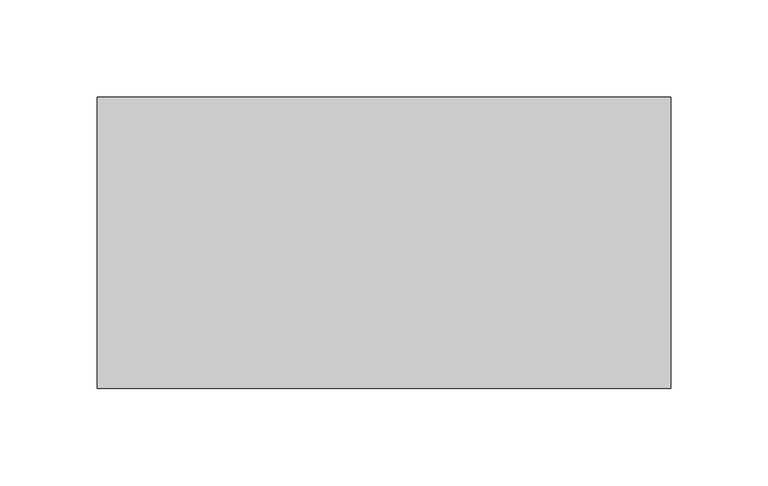
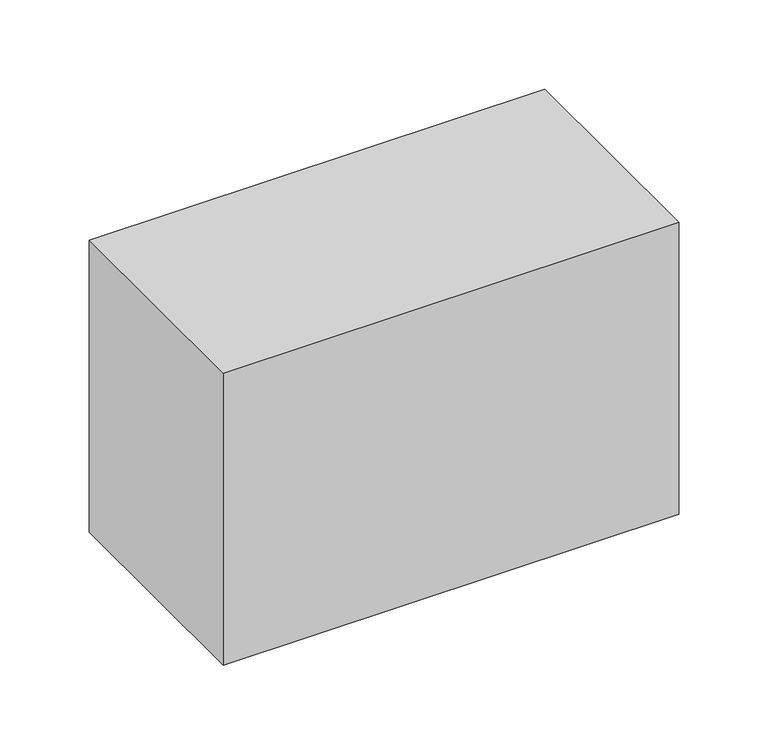
"""IFC4 building model written with IfcOpenShell, lengths in millimetres: proxy geometry."""

from ifc_helpers import new_model, si_unit, frame, origin, place, context, project, spatial, polyline, outline, extrude, source, transform, mapped, element, save


def generic_models_36662c5a(model_context):
    return source(origin(), model_context, "Body", "SweptSolid", [
        extrude(outline(polyline([(147.5, 75.0), (147.5, -75.0), (-147.5, -75.0), (-147.5, 75.0), (147.5, 75.0)])), frame((0.0, 0.0, -200.0), z_axis=(0.0, 0.0, 1.0), x_axis=(1.0, 0.0, 0.0)), (0.0, 0.0, 1.0), 200.0),
    ])


if __name__ == "__main__":
    model = new_model("IFC4")
    model_context = context("Model", 3, world=origin())
    ifc_project = project(units=[si_unit("LENGTHUNIT", "METRE", prefix="MILLI")], contexts=[model_context])
    site = spatial("IfcSite", under=ifc_project)
    building = spatial("IfcBuilding", under=site)
    placement = place(None, origin())
    generic_models_shape = generic_models_36662c5a(model_context)
    element("IfcBuildingElementProxy", 1, Name="Generic Models", at=placement, inside=building, context=model_context, shape_type="MappedRepresentation", body=[
        mapped(generic_models_shape, transform((0.0, 0.0, 0.0), x_axis=(1.0, 0.0, 0.0), y_axis=(0.0, 1.0, 0.0), z_axis=(0.0, 0.0, 1.0))),
    ])
    save(model, "model.ifc")
